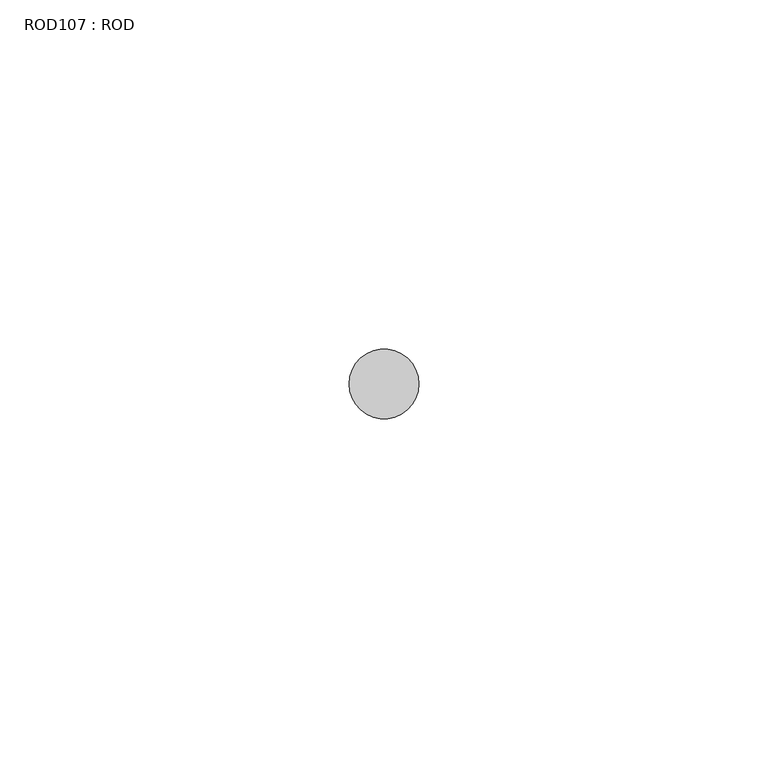
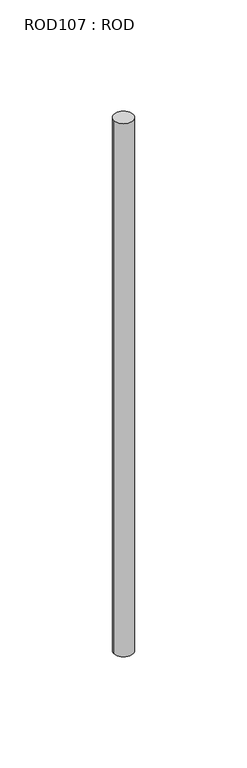
"""IFC4 building model written with IfcOpenShell, lengths in millimetres: proxy geometry, ROD107 : ROD."""

from ifc_helpers import new_model, si_unit, point, frame, frame_2d, origin, place, context, project, spatial, circle_curve, trimmed, segment, composite_curve, outline, extrude, source, transform, mapped, element, save


def rod107_rod_88c6063a(model_context):
    return source(origin(), model_context, "Body", "SweptSolid", [
        extrude(outline(composite_curve([segment(trimmed(circle_curve(frame_2d((-4400.2326676, -14542.0031593)), 5.0), [point((-4405.2326676, -14542.0031593))], [point((-4395.2326676, -14542.0031593))], False, "CARTESIAN"), True, "CONTINUOUS"), segment(trimmed(circle_curve(frame_2d((-4400.2326676, -14542.0031593)), 5.0), [point((-4395.2326676, -14542.0031593))], [point((-4405.2326676, -14542.0031593))], False, "CARTESIAN"), True, "CONTINUOUS")], self_intersect=False)), frame((0.0, 0.0, -108.6608845), z_axis=(0.0, 0.0, 1.0), x_axis=(1.0, 0.0, 0.0)), (0.0, 0.0, 1.0), 298.9028972),
    ])


if __name__ == "__main__":
    model = new_model("IFC4")
    model_context = context("Model", 3, world=origin())
    ifc_project = project(units=[si_unit("LENGTHUNIT", "METRE", prefix="MILLI")], contexts=[model_context])
    site = spatial("IfcSite", under=ifc_project)
    building = spatial("IfcBuilding", under=site)
    placement = place(None, origin())
    rod107_rod_shape = rod107_rod_88c6063a(model_context)
    element("IfcBuildingElementProxy", 1, Name="ROD107 : ROD", ObjectType="ROD107 : ROD", at=placement, inside=building, context=model_context, shape_type="MappedRepresentation", body=[
        mapped(rod107_rod_shape, transform((0.0, 0.0, 0.0), x_axis=(1.0, 0.0, 0.0), y_axis=(0.0, 1.0, 0.0), z_axis=(0.0, 0.0, 1.0))),
    ])
    save(model, "model.ifc")
